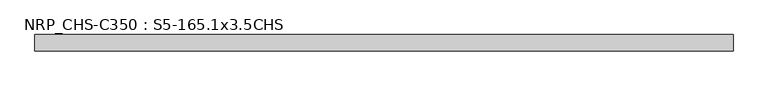
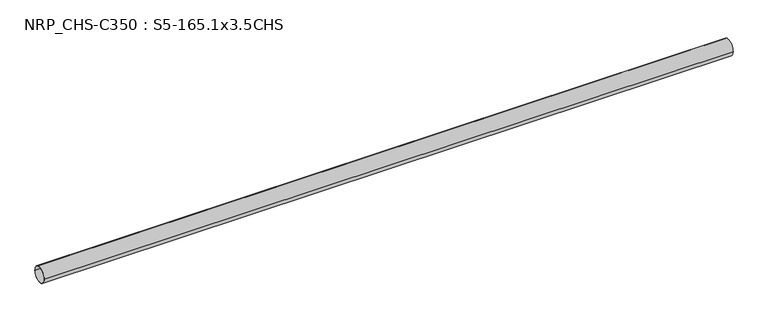
"""IFC4 building model written with IfcOpenShell, lengths in millimetres: beam geometry, NRP_CHS-C350 : S5-165.1x3.5CHS."""

from ifc_helpers import new_model, si_unit, point, frame, origin, origin_2d, place, context, project, spatial, circle_curve, trimmed, segment, composite_curve, outline, extrude, source, transform, mapped, element, save


def nrp_chs_c350_s5_165_1x3_5chs_3a97acbd(model_context):
    return source(origin(), model_context, "Body", "SweptSolid", [
        extrude(outline(composite_curve([segment(trimmed(circle_curve(origin_2d(), 82.55), [point((-82.55, 0.0))], [point((82.55, 0.0))], False, "CARTESIAN"), True, "CONTINUOUS"), segment(trimmed(circle_curve(origin_2d(), 82.55), [point((82.55, 0.0))], [point((-82.55, 0.0))], False, "CARTESIAN"), True, "CONTINUOUS")], self_intersect=False), holes=[composite_curve([segment(trimmed(circle_curve(origin_2d(), 79.05), [point((79.05, 0.0))], [point((-79.05, 0.0))], True, "CARTESIAN"), True, "CONTINUOUS"), segment(trimmed(circle_curve(origin_2d(), 79.05), [point((-79.05, 0.0))], [point((79.05, 0.0))], True, "CARTESIAN"), True, "CONTINUOUS")], self_intersect=False)]), frame((-3604.05, 0.0, 0.0), z_axis=(1.0, 0.0, 0.0), x_axis=(0.0, 1.0, 0.0)), (0.0, 0.0, 1.0), 7110.9),
    ])


if __name__ == "__main__":
    model = new_model("IFC4")
    model_context = context("Model", 3, world=origin())
    ifc_project = project(units=[si_unit("LENGTHUNIT", "METRE", prefix="MILLI")], contexts=[model_context])
    site = spatial("IfcSite", under=ifc_project)
    building = spatial("IfcBuilding", under=site)
    placement = place(None, origin())
    nrp_chs_c350_s5_165_1x3_5chs_shape = nrp_chs_c350_s5_165_1x3_5chs_3a97acbd(model_context)
    element("IfcBeam", 1, ObjectType="NRP_CHS-C350 : S5-165.1x3.5CHS", at=placement, inside=building, context=model_context, shape_type="MappedRepresentation", body=[
        mapped(nrp_chs_c350_s5_165_1x3_5chs_shape, transform((0.0, 0.0, 0.0), x_axis=(1.0, 0.0, 0.0), y_axis=(0.0, 1.0, 0.0), z_axis=(0.0, 0.0, 1.0))),
    ])
    save(model, "model.ifc")
